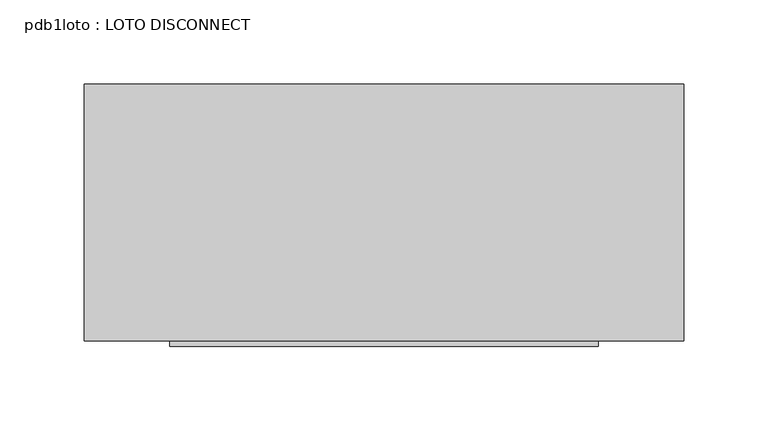
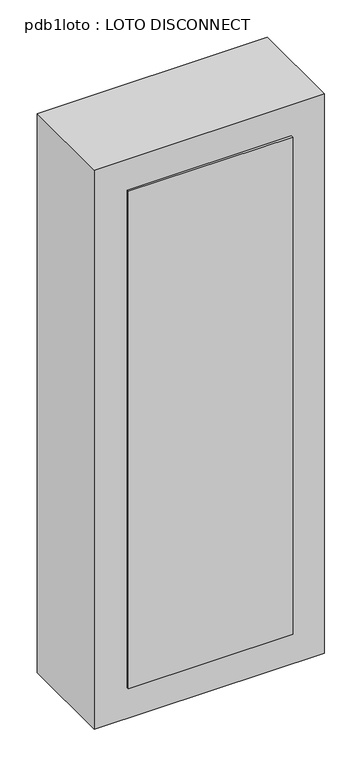
"""IFC4 building model written with IfcOpenShell, lengths in millimetres: proxy geometry, pdb1loto : LOTO DISCONNECT."""

from ifc_helpers import new_model, si_unit, frame, origin, place, context, project, spatial, polyline, outline, extrude, source, transform, mapped, element, save


def pdb1loto_loto_disconnect_16994026(model_context):
    return source(origin(), model_context, "Body", "SweptSolid", [
        extrude(outline(polyline([(50.8, -79.375), (-203.2, -79.375), (-203.2, -76.2), (50.8, -76.2), (50.8, -79.375)])), frame((0.0, 0.0, 1270.0), z_axis=(0.0, 0.0, 1.0), x_axis=(1.0, 0.0, 0.0)), (0.0, 0.0, 1.0), 812.8),
        extrude(outline(polyline([(101.6, 76.2), (101.6, -76.2), (-254.0, -76.2), (-254.0, 76.2), (101.6, 76.2)])), frame((0.0, 0.0, 1219.2), z_axis=(0.0, 0.0, 1.0), x_axis=(1.0, 0.0, 0.0)), (0.0, 0.0, 1.0), 914.4),
    ])


if __name__ == "__main__":
    model = new_model("IFC4")
    model_context = context("Model", 3, world=origin())
    ifc_project = project(units=[si_unit("LENGTHUNIT", "METRE", prefix="MILLI")], contexts=[model_context])
    site = spatial("IfcSite", under=ifc_project)
    building = spatial("IfcBuilding", under=site)
    placement = place(None, origin())
    pdb1loto_loto_disconnect_shape = pdb1loto_loto_disconnect_16994026(model_context)
    element("IfcBuildingElementProxy", 1, Name="pdb1loto : LOTO DISCONNECT", ObjectType="pdb1loto : LOTO DISCONNECT", at=placement, inside=building, context=model_context, shape_type="MappedRepresentation", body=[
        mapped(pdb1loto_loto_disconnect_shape, transform((0.0, 0.0, 0.0), x_axis=(1.0, 0.0, 0.0), y_axis=(0.0, 1.0, 0.0), z_axis=(0.0, 0.0, 1.0))),
    ])
    save(model, "model.ifc")
